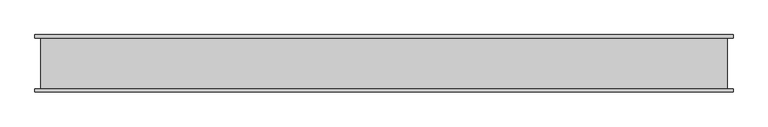
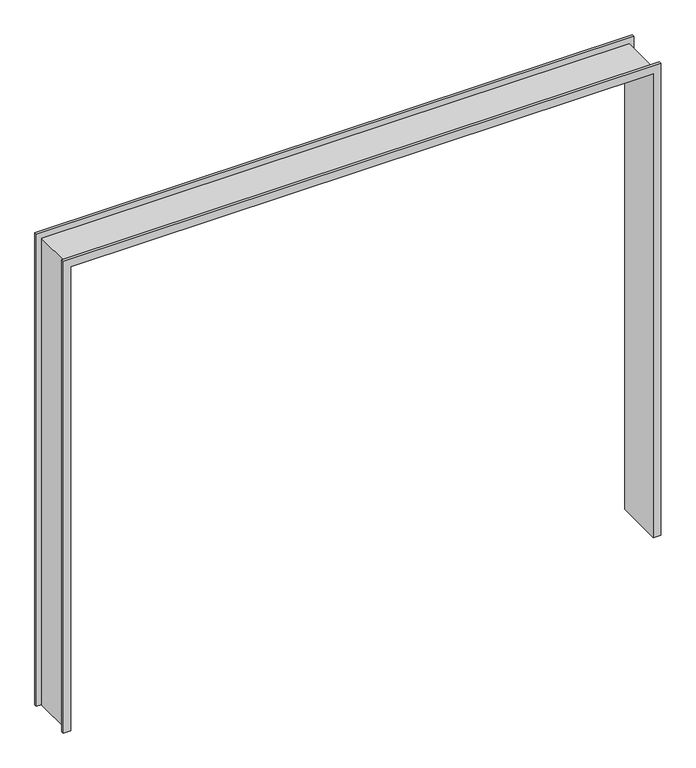
"""IFC4 building model written with IfcOpenShell, lengths in millimetres: proxy geometry."""

from ifc_helpers import new_model, si_unit, origin, place, context, project, spatial, faceted_brep, source, transform, mapped, element, save


def specialty_equipment_10ca8118(model_context):
    return source(origin(), model_context, "Body", "Brep", [
        faceted_brep([(1618.2442422, 7.7140625, 0.0), (1664.9173422, 7.7140625, 0.0), (1664.9173422, -8.7859375, 0.0), (1635.2442422, -8.7859375, 0.0), (1635.2442422, -275.7859375, 0.0), (1664.9173422, -275.7859375, 0.0), (1664.9173422, -292.2859375, 0.0), (1618.2442422, -292.2859375, 0.0), (1664.9173422, -8.7859375, 3047.9944), (-1988.0761564, -8.7859375, 3047.9944), (-1988.0761564, -8.7859375, 0.0), (-1958.4030564, -8.7859375, 0.0), (-1958.4030564, -8.7859375, 3012.8984), (1635.2442422, -8.7859375, 3012.8984), (-1941.4030564, 7.7140625, 0.0), (-1988.0761564, 7.7140625, 0.0), (-1988.0761564, 7.7140625, 3047.9944), (1664.9173422, 7.7140625, 3047.9944), (1618.2442422, 7.7140625, 2995.8984), (-1941.4030564, 7.7140625, 2995.8984), (1618.2442422, -292.2859375, 2995.8984), (1664.9173422, -292.2859375, 3047.9944), (-1988.0761564, -292.2859375, 3047.9944), (-1988.0761564, -292.2859375, 0.0), (-1941.4030564, -292.2859375, 0.0), (-1941.4030564, -292.2859375, 2995.8984), (-1958.4030564, -275.7859375, 0.0), (-1988.0761564, -275.7859375, 0.0), (-1988.0761564, -275.7859375, 3047.9944), (1664.9173422, -275.7859375, 3047.9944), (1635.2442422, -275.7859375, 3012.8984), (-1958.4030564, -275.7859375, 3012.8984)], [[[0, 1, 2, 3, 4, 5, 6, 7]], [[3, 2, 8, 9, 10, 11, 12, 13]], [[14, 15, 16, 17, 1, 0, 18, 19]], [[7, 20, 18, 0]], [[7, 6, 21, 22, 23, 24, 25, 20]], [[26, 27, 28, 29, 5, 4, 30, 31]], [[3, 13, 30, 4]], [[16, 9, 8, 17]], [[18, 20, 25, 19]], [[28, 22, 21, 29]], [[12, 31, 30, 13]], [[11, 10, 15, 14, 24, 23, 27, 26]], [[19, 25, 24, 14]], [[11, 26, 31, 12]], [[9, 16, 15, 10]], [[22, 28, 27, 23]], [[1, 17, 8, 2]], [[5, 29, 21, 6]]]),
    ])


if __name__ == "__main__":
    model = new_model("IFC4")
    model_context = context("Model", 3, world=origin())
    ifc_project = project(units=[si_unit("LENGTHUNIT", "METRE", prefix="MILLI")], contexts=[model_context])
    site = spatial("IfcSite", under=ifc_project)
    building = spatial("IfcBuilding", under=site)
    placement = place(None, origin())
    specialty_equipment_shape = specialty_equipment_10ca8118(model_context)
    element("IfcBuildingElementProxy", 1, Name="Specialty Equipment", at=placement, inside=building, context=model_context, shape_type="MappedRepresentation", body=[
        mapped(specialty_equipment_shape, transform((0.0, 0.0, 0.0), x_axis=(1.0, 0.0, 0.0), y_axis=(0.0, 1.0, 0.0), z_axis=(0.0, 0.0, 1.0))),
    ])
    save(model, "model.ifc")
